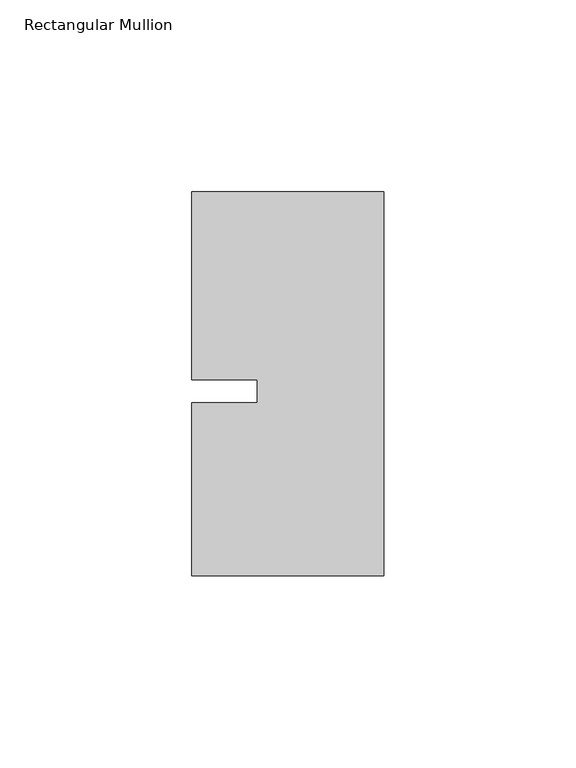
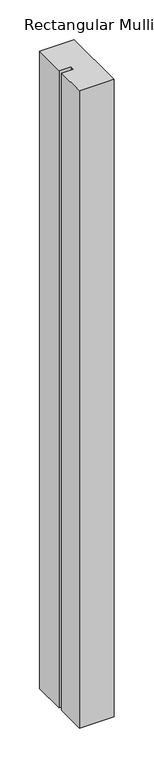
"""IFC4 building model written with IfcOpenShell, lengths in millimetres: member geometry, Rectangular Mullion."""

from ifc_helpers import new_model, si_unit, frame, origin, place, context, project, spatial, polyline, outline, extrude, source, transform, mapped, element, save


def rectangular_mullion_58e8384e(model_context):
    return source(origin(), model_context, "Body", "SweptSolid", [
        extrude(outline(polyline([(-33.0004407, -3.0000086), (-33.0004379, 3.0000086), (-49.9999762, 3.0000166), (-49.9999534, 51.9999993), (0.0, 51.9999711), (0.0, -48.000024), (-50.0, -48.0000007), (-49.999979, -3.0000007), (-33.0004407, -3.0000086)])), frame((0.0, 0.0, -975.9288255), z_axis=(0.0, 0.0, 1.0), x_axis=(1.0, 0.0, 0.0)), (0.0, 0.0, 1.0), 975.9288255),
    ])


if __name__ == "__main__":
    model = new_model("IFC4")
    model_context = context("Model", 3, world=origin())
    ifc_project = project(units=[si_unit("LENGTHUNIT", "METRE", prefix="MILLI")], contexts=[model_context])
    site = spatial("IfcSite", under=ifc_project)
    building = spatial("IfcBuilding", under=site)
    placement = place(None, origin())
    rectangular_mullion_shape = rectangular_mullion_58e8384e(model_context)
    element("IfcMember", 1, ObjectType="Rectangular Mullion", at=placement, inside=building, context=model_context, shape_type="MappedRepresentation", body=[
        mapped(rectangular_mullion_shape, transform((0.0, 0.0, 0.0), x_axis=(1.0, 0.0, 0.0), y_axis=(0.0, 1.0, 0.0), z_axis=(0.0, 0.0, 1.0))),
    ])
    save(model, "model.ifc")
